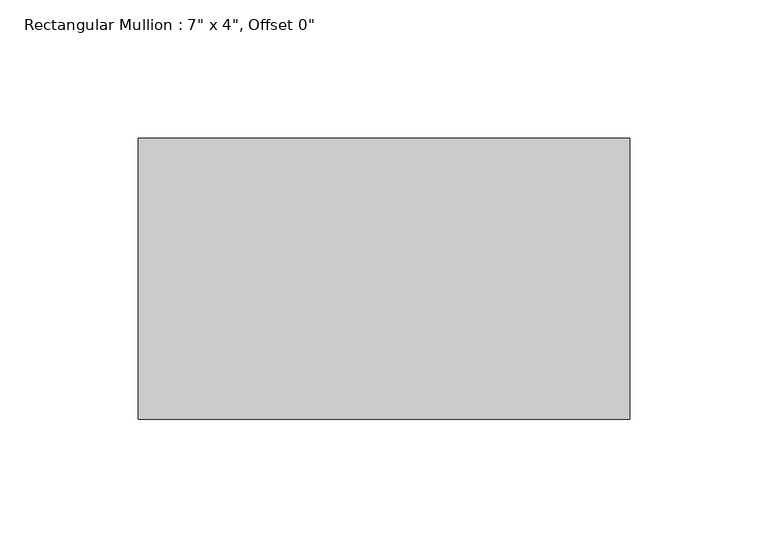
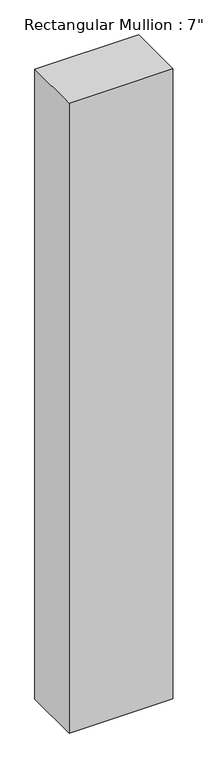
"""IFC4 building model written with IfcOpenShell, lengths in millimetres: member geometry."""

from ifc_helpers import new_model, si_unit, frame, origin, place, context, project, spatial, polyline, outline, extrude, source, transform, mapped, element, save


def member_857b1676(model_context):
    return source(origin(), model_context, "Body", "SweptSolid", [
        extrude(outline(polyline([(88.9, 50.8), (88.9, -50.8), (-88.9, -50.8), (-88.9, 50.8), (88.9, 50.8)])), frame((0.0, 0.0, -1140.8833333), z_axis=(0.0, 0.0, 1.0), x_axis=(1.0, 0.0, 0.0)), (0.0, 0.0, 1.0), 1140.8833333),
    ])


if __name__ == "__main__":
    model = new_model("IFC4")
    model_context = context("Model", 3, world=origin())
    ifc_project = project(units=[si_unit("LENGTHUNIT", "METRE", prefix="MILLI")], contexts=[model_context])
    site = spatial("IfcSite", under=ifc_project)
    building = spatial("IfcBuilding", under=site)
    placement = place(None, origin())
    member_shape = member_857b1676(model_context)
    element("IfcMember", 1, ObjectType="Rectangular Mullion : 7\" x 4\", Offset 0\"", at=placement, inside=building, context=model_context, shape_type="MappedRepresentation", body=[
        mapped(member_shape, transform((0.0, 0.0, 0.0), x_axis=(1.0, 0.0, 0.0), y_axis=(0.0, 1.0, 0.0), z_axis=(0.0, 0.0, 1.0))),
    ])
    save(model, "model.ifc")
